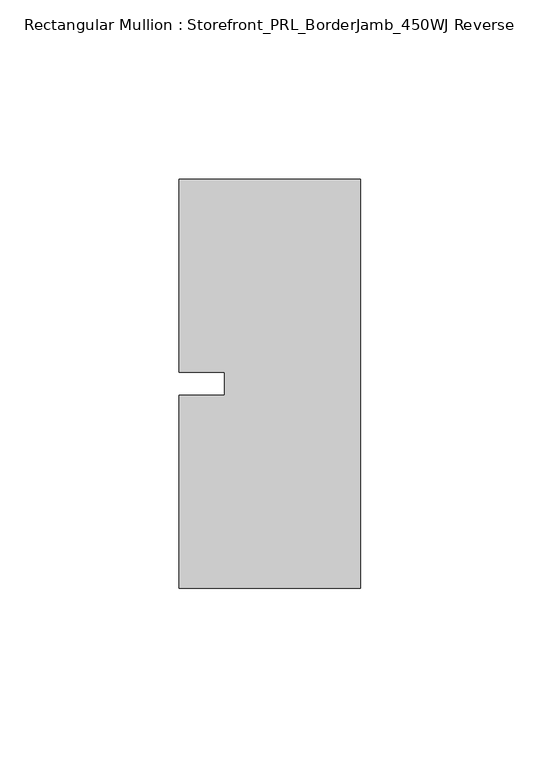
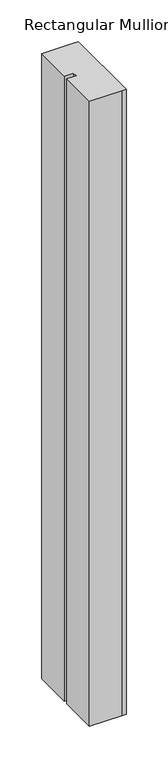
"""IFC4 building model written with IfcOpenShell, lengths in millimetres: member geometry, Rectangular Mullion : Storefront_PRL_BorderJamb_450WJ Reverse."""

from ifc_helpers import new_model, si_unit, frame, origin, place, context, project, spatial, polyline, outline, extrude, source, transform, mapped, element, save


def rectangular_mullion_storefront_prl_borderjamb_450wj_reverse_d1290db4(model_context):
    return source(origin(), model_context, "Body", "SweptSolid", [
        extrude(outline(polyline([(-38.1, -3.175), (-38.1, 3.175), (-50.8, 3.175), (-50.8, 57.15), (-7.3958824, 57.15), (0.0, 57.15), (0.0, -57.15), (-6.35, -57.15), (-50.8, -57.15), (-50.8, -3.175), (-38.1, -3.175)])), frame((0.0, 0.0, -914.4), z_axis=(0.0, 0.0, 1.0), x_axis=(1.0, 0.0, 0.0)), (0.0, 0.0, 1.0), 914.4),
    ])


if __name__ == "__main__":
    model = new_model("IFC4")
    model_context = context("Model", 3, world=origin())
    ifc_project = project(units=[si_unit("LENGTHUNIT", "METRE", prefix="MILLI")], contexts=[model_context])
    site = spatial("IfcSite", under=ifc_project)
    building = spatial("IfcBuilding", under=site)
    placement = place(None, origin())
    rectangular_mullion_storefront_prl_borderjamb_450wj_reverse_shape = rectangular_mullion_storefront_prl_borderjamb_450wj_reverse_d1290db4(model_context)
    element("IfcMember", 1, ObjectType="Rectangular Mullion : Storefront_PRL_BorderJamb_450WJ Reverse", at=placement, inside=building, context=model_context, shape_type="MappedRepresentation", body=[
        mapped(rectangular_mullion_storefront_prl_borderjamb_450wj_reverse_shape, transform((0.0, 0.0, 0.0), x_axis=(1.0, 0.0, 0.0), y_axis=(0.0, 1.0, 0.0), z_axis=(0.0, 0.0, 1.0))),
    ])
    save(model, "model.ifc")
